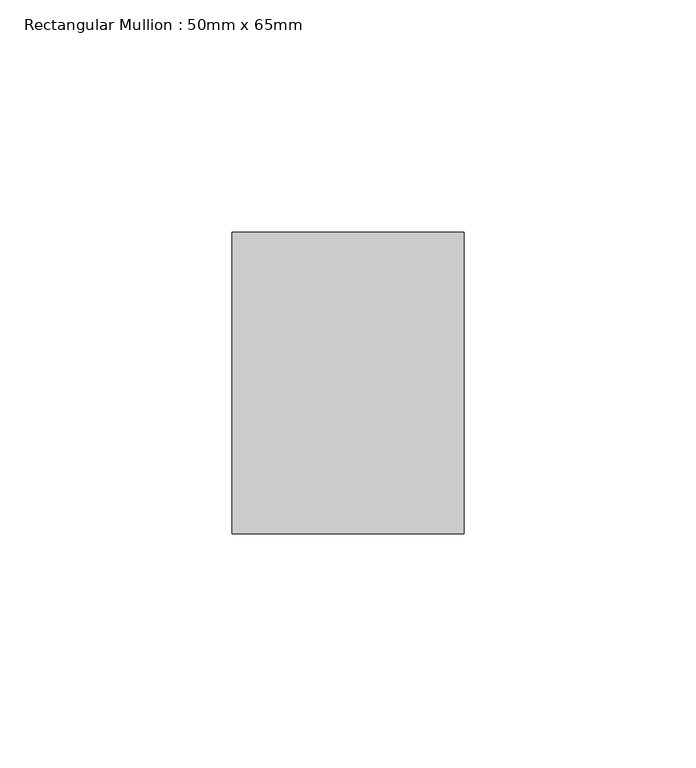
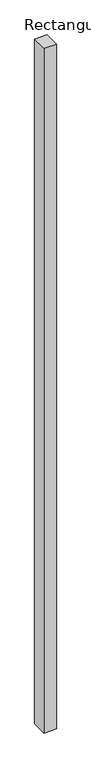
"""IFC4 building model written with IfcOpenShell, lengths in millimetres: member geometry, Rectangular Mullion : 50mm x 65mm."""

from ifc_helpers import new_model, si_unit, frame, origin, place, context, project, spatial, polyline, outline, extrude, source, transform, mapped, element, save


def rectangular_mullion_50mm_x_65mm_64e755f8(model_context):
    return source(origin(), model_context, "Body", "SweptSolid", [
        extrude(outline(polyline([(25.0, 32.5), (25.0, -32.5), (-25.0, -32.5), (-25.0, 32.5), (25.0, 32.5)])), frame((0.0, 0.0, -2924.9792643), z_axis=(0.0, 0.0, 1.0), x_axis=(1.0, 0.0, 0.0)), (0.0, 0.0, 1.0), 2924.9792643),
    ])


if __name__ == "__main__":
    model = new_model("IFC4")
    model_context = context("Model", 3, world=origin())
    ifc_project = project(units=[si_unit("LENGTHUNIT", "METRE", prefix="MILLI")], contexts=[model_context])
    site = spatial("IfcSite", under=ifc_project)
    building = spatial("IfcBuilding", under=site)
    placement = place(None, origin())
    rectangular_mullion_50mm_x_65mm_shape = rectangular_mullion_50mm_x_65mm_64e755f8(model_context)
    element("IfcMember", 1, ObjectType="Rectangular Mullion : 50mm x 65mm", at=placement, inside=building, context=model_context, shape_type="MappedRepresentation", body=[
        mapped(rectangular_mullion_50mm_x_65mm_shape, transform((0.0, 0.0, 0.0), x_axis=(1.0, 0.0, 0.0), y_axis=(0.0, 1.0, 0.0), z_axis=(0.0, 0.0, 1.0))),
    ])
    save(model, "model.ifc")
